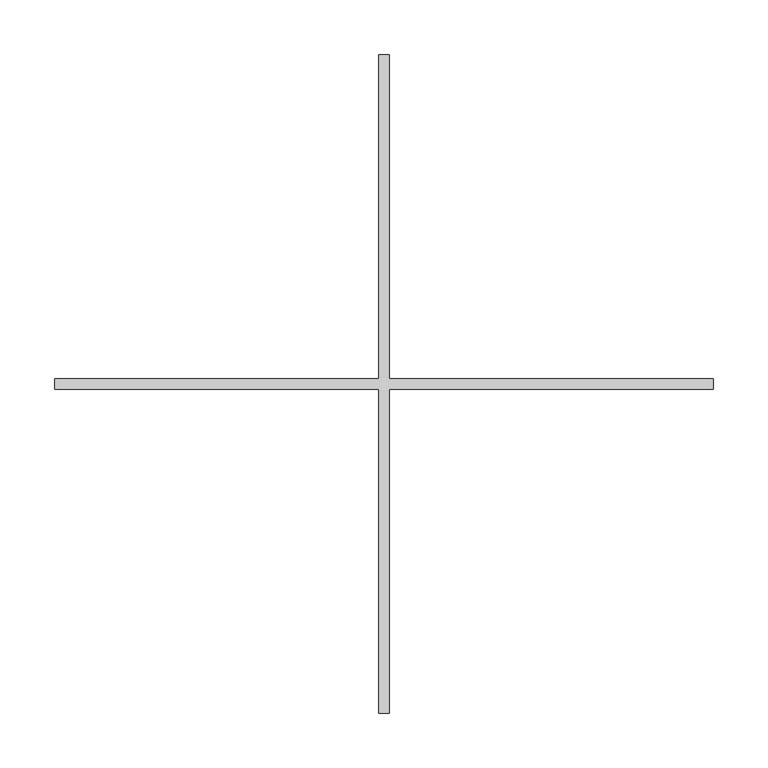
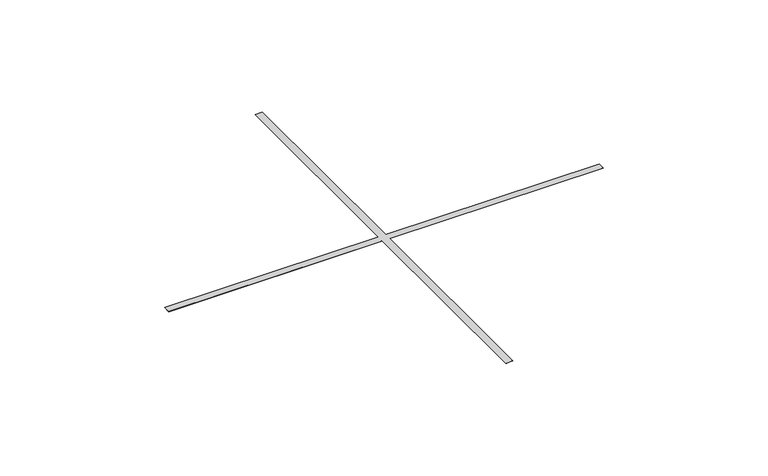
"""IFC4 building model written with IfcOpenShell, lengths in millimetres: proxy geometry."""

from ifc_helpers import new_model, si_unit, origin, origin_with_axes, place, context, project, spatial, polyline, outline, extrude, source, transform, mapped, element, save


def generic_models_3fad013d(model_context):
    return source(origin(), model_context, "Body", "SweptSolid", [
        extrude(outline(polyline([(-5.0, 5.0), (-5.0, 301.5), (5.0, 301.5), (5.0, 5.0), (301.5, 5.0), (301.5, -5.0), (5.0, -5.0), (5.0, -301.5), (-5.0, -301.5), (-5.0, -5.0), (-301.5, -5.0), (-301.5, 5.0), (-5.0, 5.0)])), origin_with_axes(), (0.0, 0.0, 1.0), 0.2),
    ])


if __name__ == "__main__":
    model = new_model("IFC4")
    model_context = context("Model", 3, world=origin())
    ifc_project = project(units=[si_unit("LENGTHUNIT", "METRE", prefix="MILLI")], contexts=[model_context])
    site = spatial("IfcSite", under=ifc_project)
    building = spatial("IfcBuilding", under=site)
    placement = place(None, origin())
    generic_models_shape = generic_models_3fad013d(model_context)
    element("IfcBuildingElementProxy", 1, Name="Generic Models", at=placement, inside=building, context=model_context, shape_type="MappedRepresentation", body=[
        mapped(generic_models_shape, transform((0.0, 0.0, 0.0), x_axis=(1.0, 0.0, 0.0), y_axis=(0.0, 1.0, 0.0), z_axis=(0.0, 0.0, 1.0))),
    ])
    save(model, "model.ifc")
